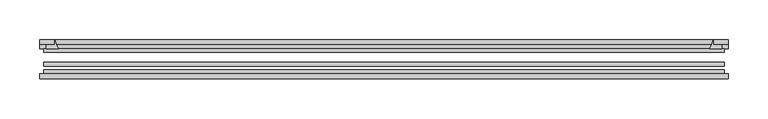
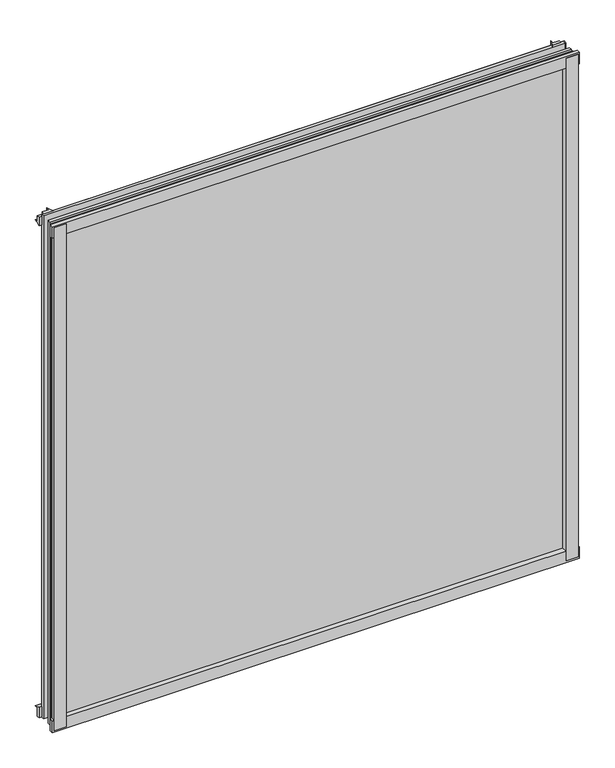
"""IFC4 building model written with IfcOpenShell, lengths in millimetres: plate geometry."""

from ifc_helpers import new_model, si_unit, point, frame, frame_2d, origin, place, context, project, spatial, polyline, circle_curve, trimmed, segment, composite_curve, outline, extrude, source, transform, mapped, element, save


def plate_25a523a3(model_context):
    return source(origin(), model_context, "Body", "SweptSolid", [
        extrude(outline(composite_curve([segment(polyline([(-428.4265625, -78.7828625), (-407.0053612, -78.7828625)]), True, "CONTINUOUS"), segment(trimmed(circle_curve(frame_2d((-399.3681956, -84.652782)), 9.6323545), [point((-407.0053612, -78.7828625))], [point((-408.988579, -85.1328625))], True, "CARTESIAN"), True, "CONTINUOUS"), segment(polyline([(-408.988579, -85.1328625), (-428.4265625, -85.1328625), (-428.4265625, -78.7828625)]), True, "CONTINUOUS")], self_intersect=False)), frame((0.0, 0.0, -14.2875), z_axis=(0.0, 0.0, 1.0), x_axis=(1.0, 0.0, 0.0)), (0.0, 0.0, 1.0), 869.95),
        extrude(outline(composite_curve([segment(polyline([(429.6194065, -78.7828625), (429.6194065, -85.1328625), (410.1395165, -85.1328625)]), True, "CONTINUOUS"), segment(trimmed(circle_curve(frame_2d((400.5191331, -84.652782)), 9.6323545), [point((410.1395165, -85.1328625))], [point((408.1562987, -78.7828625))], True, "CARTESIAN"), True, "CONTINUOUS"), segment(polyline([(408.1562987, -78.7828625), (429.6194065, -78.7828625)]), True, "CONTINUOUS")], self_intersect=False)), frame((0.0, 0.0, -14.2875), z_axis=(0.0, 0.0, 1.0), x_axis=(1.0, 0.0, 0.0)), (0.0, 0.0, 1.0), 869.95),
        extrude(outline(composite_curve([segment(polyline([(-47.1852625, -14.2875), (-47.1852625, 3.9588469)]), True, "CONTINUOUS"), segment(trimmed(circle_curve(frame_2d((-30.6824422, 32.267054)), 32.7673262), [point((-47.1852625, 3.9588469))], [point((-36.3503395, -0.00635))], True, "CARTESIAN"), True, "CONTINUOUS"), segment(polyline([(-36.3503395, -0.00635), (-42.2830625, -0.00635), (-42.2830625, -14.2875), (-47.1852625, -14.2875)]), True, "CONTINUOUS")], self_intersect=False)), frame((-431.6015625, 0.0, 0.0), z_axis=(1.0, 0.0, 0.0), x_axis=(0.0, 1.0, 0.0)), (0.0, 0.0, 1.0), 863.203125),
        extrude(outline(composite_curve([segment(polyline([(-78.7828625, -16.8821065), (-85.1328625, -16.8821065), (-85.1328625, 2.5977835)]), True, "CONTINUOUS"), segment(trimmed(circle_curve(frame_2d((-84.652782, 12.2181669)), 9.6323545), [point((-85.1328625, 2.5977835))], [point((-78.7828625, 4.5810013))], True, "CARTESIAN"), True, "CONTINUOUS"), segment(polyline([(-78.7828625, 4.5810013), (-78.7828625, -16.8821065)]), True, "CONTINUOUS")], self_intersect=False)), frame((-431.6015625, 0.0, 0.0), z_axis=(1.0, 0.0, 0.0), x_axis=(0.0, 1.0, 0.0)), (0.0, 0.0, 1.0), 863.203125),
        extrude(outline(composite_curve([segment(polyline([(-47.1852625, 837.4034531), (-47.1852625, 852.0752564), (-42.2830625, 852.0752564), (-42.2830625, 841.375), (-36.3140625, 841.375)]), True, "CONTINUOUS"), segment(trimmed(circle_curve(frame_2d((-30.6824422, 809.095246)), 32.7673262), [point((-36.3140625, 841.375))], [point((-47.1852625, 837.4034531))], True, "CARTESIAN"), True, "CONTINUOUS")], self_intersect=False)), frame((-431.6015625, 0.0, 0.0), z_axis=(1.0, 0.0, 0.0), x_axis=(0.0, 1.0, 0.0)), (0.0, 0.0, 1.0), 863.203125),
        extrude(outline(composite_curve([segment(polyline([(-78.7828625, 858.2444065), (-78.7828625, 836.7812987)]), True, "CONTINUOUS"), segment(trimmed(circle_curve(frame_2d((-84.652782, 829.1441331)), 9.6323545), [point((-78.7828625, 836.7812987))], [point((-85.1328625, 838.7645165))], True, "CARTESIAN"), True, "CONTINUOUS"), segment(polyline([(-85.1328625, 838.7645165), (-85.1328625, 858.2444065), (-78.7828625, 858.2444065)]), True, "CONTINUOUS")], self_intersect=False)), frame((-431.6015625, 0.0, 0.0), z_axis=(1.0, 0.0, 0.0), x_axis=(0.0, 1.0, 0.0)), (0.0, 0.0, 1.0), 863.203125),
        extrude(outline(composite_curve([segment(trimmed(circle_curve(frame_2d((380.470246, -30.6824422)), 32.7673262), [point((408.7784531, -47.1852625))], [point((412.75, -36.3140625))], True, "CARTESIAN"), True, "CONTINUOUS"), segment(polyline([(412.75, -36.3140625), (412.75, -42.2830625), (423.4503653, -42.2830625), (423.4503653, -47.1852625), (408.7784531, -47.1852625)]), True, "CONTINUOUS")], self_intersect=False)), frame((0.0, 0.0, -14.2875), z_axis=(0.0, 0.0, 1.0), x_axis=(1.0, 0.0, 0.0)), (0.0, 0.0, 1.0), 869.95),
        extrude(outline(composite_curve([segment(polyline([(-408.7784531, -47.1852625), (-423.4452092, -47.1852625), (-423.4452092, -42.2830625), (-412.75, -42.2830625), (-412.75, -36.3140625)]), True, "CONTINUOUS"), segment(trimmed(circle_curve(frame_2d((-380.470246, -30.6824422)), 32.7673262), [point((-412.75, -36.3140625))], [point((-408.7784531, -47.1852625))], True, "CARTESIAN"), True, "CONTINUOUS")], self_intersect=False)), frame((0.0, 0.0, -14.2875), z_axis=(0.0, 0.0, 1.0), x_axis=(1.0, 0.0, 0.0)), (0.0, 0.0, 1.0), 869.95),
        extrude(outline(polyline([(427.0375, -64.6604625), (427.0375, -69.4356625), (-427.0375, -69.4356625), (-427.0375, -64.6604625), (427.0375, -64.6604625)])), frame((0.0, 0.0, -14.2875), z_axis=(0.0, 0.0, 1.0), x_axis=(1.0, 0.0, 0.0)), (0.0, 0.0, 1.0), 869.95),
        extrude(outline(polyline([(-427.0375, -78.7828625), (-427.0375, -74.0076625), (427.0375, -74.0076625), (427.0375, -78.7828625), (-427.0375, -78.7828625)])), frame((0.0, 0.0, -14.2875), z_axis=(0.0, 0.0, 1.0), x_axis=(1.0, 0.0, 0.0)), (0.0, 0.0, 1.0), 869.95),
        extrude(outline(polyline([(-427.0375, -47.1852625), (427.0375, -47.1852625), (427.0375, -51.9604625), (-427.0375, -51.9604625), (-427.0375, -47.1852625)])), frame((0.0, 0.0, -14.2875), z_axis=(0.0, 0.0, 1.0), x_axis=(1.0, 0.0, 0.0)), (0.0, 0.0, 1.0), 869.95),
    ])


if __name__ == "__main__":
    model = new_model("IFC4")
    model_context = context("Model", 3, world=origin())
    ifc_project = project(units=[si_unit("LENGTHUNIT", "METRE", prefix="MILLI")], contexts=[model_context])
    site = spatial("IfcSite", under=ifc_project)
    building = spatial("IfcBuilding", under=site)
    placement = place(None, origin())
    plate_shape = plate_25a523a3(model_context)
    element("IfcPlate", 1, at=placement, inside=building, context=model_context, shape_type="MappedRepresentation", body=[
        mapped(plate_shape, transform((0.0, 0.0, 0.0), x_axis=(1.0, 0.0, 0.0), y_axis=(0.0, 1.0, 0.0), z_axis=(0.0, 0.0, 1.0))),
    ])
    save(model, "model.ifc")
